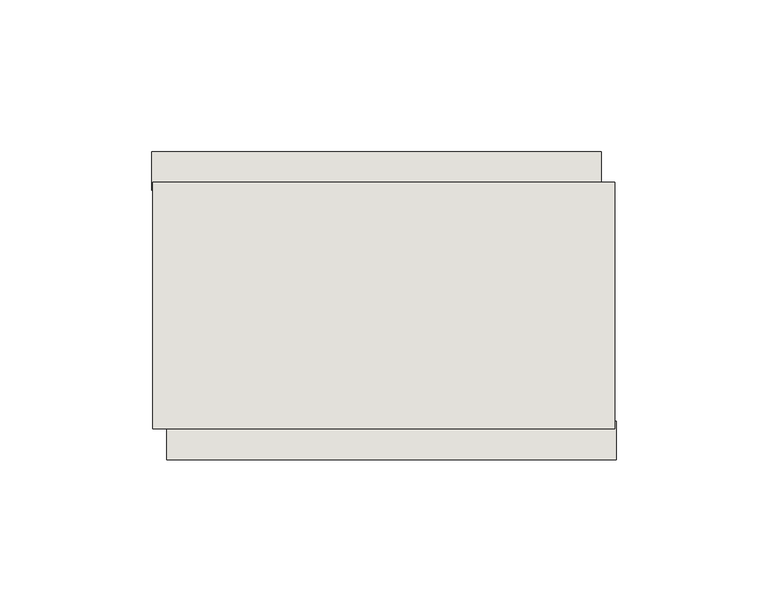
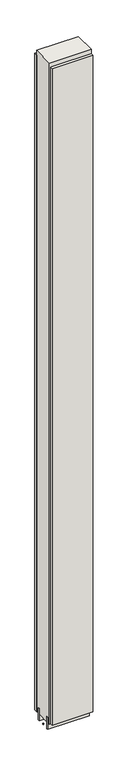
"""IFC4 building model written with IfcOpenShell, lengths in millimetres: wall geometry."""

import ifcopenshell
import ifcopenshell.guid

model = None  # the IFC model being written
_history = None  # IfcOwnerHistory: only IFC2X3 demands one
_inside = {}  # id of a spatial element -> (the spatial element, [elements in it])
_under = {}  # id of a project, library or spatial element -> (it, [spatial elements below it])
_declared = {}  # id of a project -> (the project, [libraries it declares])
_typed = {}  # id of a type object -> (the type object, [elements of that type])
_made_of = {}  # id of a material, layer set ... -> (it, [elements and type objects made of it])


def new_model(schema):
    """Start an empty IFC model of exactly this schema.

    Asked for "IFC4X3", IfcOpenShell would pick the latest addendum, in which some entities
    have other attributes; the version numbers below select the first issue.
    IFC2X3 requires an IfcOwnerHistory on every rooted entity: one is made here for all.
    """
    global model, _history
    if schema == "IFC4X3":
        model = ifcopenshell.file(schema_version=(4, 3, 0, 0))
    else:
        model = ifcopenshell.file(schema=schema)
    _inside.clear()
    _under.clear()
    _declared.clear()
    _typed.clear()
    _made_of.clear()
    _history = None
    if model.schema == "IFC2X3":
        org = make("IfcOrganization", Name="unknown")
        user = make(
            "IfcPersonAndOrganization",
            ThePerson=make("IfcPerson", FamilyName="unknown"),
            TheOrganization=org,
        )
        app = make(
            "IfcApplication",
            ApplicationDeveloper=org,
            Version="unknown",
            ApplicationFullName="unknown",
            ApplicationIdentifier="unknown",
        )
        _history = make(
            "IfcOwnerHistory",
            OwningUser=user,
            OwningApplication=app,
            ChangeAction="ADDED",
            CreationDate=0,
        )
    return model


def make(cls, **values):
    """One entity of the class cls with the attributes given. An attribute that is None is left unset."""
    return model.create_entity(
        cls, **{name: value for name, value in values.items() if value is not None}
    )


def rooted(cls, **values):
    """An entity with a GlobalId (a new one), such as an element, a storey or a relation."""
    return make(cls, GlobalId=ifcopenshell.guid.new(), OwnerHistory=_history, **values)


def si_unit(unit_type, name, prefix=None):
    """IfcSIUnit, for example si_unit("LENGTHUNIT", "METRE", prefix="MILLI")."""
    return make("IfcSIUnit", UnitType=unit_type, Prefix=prefix, Name=name)


def assignment(units):
    """IfcUnitAssignment: the units of a project."""
    return None if units is None else make("IfcUnitAssignment", Units=units)


def point(xyz):
    """IfcCartesianPoint."""
    return None if xyz is None else make("IfcCartesianPoint", Coordinates=xyz)


def direction(xyz):
    """IfcDirection."""
    return None if xyz is None else make("IfcDirection", DirectionRatios=xyz)


def frame(location, z_axis=None, x_axis=None):
    """IfcAxis2Placement3D, a coordinate frame: its origin and axes. An axis left out is left unset."""
    return make(
        "IfcAxis2Placement3D",
        Location=point(location),
        Axis=direction(z_axis),
        RefDirection=direction(x_axis),
    )


def origin():
    """The frame at (0, 0, 0) with its axes left unset."""
    return frame((0.0, 0.0, 0.0))


def place(relative_to, where):
    """IfcLocalPlacement: puts the frame where relative to a parent placement (None: the world)."""
    return make(
        "IfcLocalPlacement", PlacementRelTo=relative_to, RelativePlacement=where
    )


def context(
    kind, dimensions, precision=None, world=None, true_north=None, identifier=None
):
    """IfcGeometricRepresentationContext, for example the 3D "Model" context."""
    return make(
        "IfcGeometricRepresentationContext",
        ContextIdentifier=identifier,
        ContextType=kind,
        CoordinateSpaceDimension=dimensions,
        Precision=precision,
        WorldCoordinateSystem=world,
        TrueNorth=true_north,
    )


def project(units=None, contexts=None):
    """IfcProject with its units and contexts."""
    return rooted(
        "IfcProject",
        Name="project",
        RepresentationContexts=contexts,
        UnitsInContext=assignment(units),
    )


def spatial(cls, under=None, at=None, **own):
    """A site, building, storey or space (cls), placed at a placement, below another one or the project."""
    s = rooted(cls, ObjectPlacement=at, **own)
    if under is not None:
        _under.setdefault(under.id(), (under, []))[1].append(s)
    return s


def polyline(points):
    """IfcPolyline through the points."""
    return make("IfcPolyline", Points=[point(p) for p in points])


def outline(outer, holes=None, kind="AREA"):
    """IfcArbitraryClosedProfileDef: a profile drawn as a closed curve; with holes, ...WithVoids."""
    if holes is None:
        return make("IfcArbitraryClosedProfileDef", ProfileType=kind, OuterCurve=outer)
    return make(
        "IfcArbitraryProfileDefWithVoids",
        ProfileType=kind,
        OuterCurve=outer,
        InnerCurves=holes,
    )


def extrude(swept, where, along, depth):
    """IfcExtrudedAreaSolid: the profile swept, set in the frame where, extruded along a direction by depth."""
    return make(
        "IfcExtrudedAreaSolid",
        SweptArea=swept,
        Position=where,
        ExtrudedDirection=direction(along),
        Depth=depth,
    )


def shape(context_of_items, identifier, shape_type, items):
    """IfcShapeRepresentation: the items that make up one representation, for example the "Body"."""
    return make(
        "IfcShapeRepresentation",
        ContextOfItems=context_of_items,
        RepresentationIdentifier=identifier,
        RepresentationType=shape_type,
        Items=items,
    )


def source(mapping_origin, context_of_items, identifier, shape_type, items):
    """IfcRepresentationMap: a shape defined once, which mapped items show again and again."""
    return make(
        "IfcRepresentationMap",
        MappingOrigin=mapping_origin,
        MappedRepresentation=shape(context_of_items, identifier, shape_type, items),
    )


def transform(
    local_origin,
    x_axis=None,
    y_axis=None,
    z_axis=None,
    scale=None,
    scale2=None,
    scale3=None,
    uniform=True,
):
    """IfcCartesianTransformationOperator3D, or its non-uniform kind. x_axis, y_axis, z_axis: its Axis1, 2, 3."""
    if uniform:
        return make(
            "IfcCartesianTransformationOperator3D",
            Axis1=direction(x_axis),
            Axis2=direction(y_axis),
            LocalOrigin=point(local_origin),
            Scale=scale,
            Axis3=direction(z_axis),
        )
    return make(
        "IfcCartesianTransformationOperator3DnonUniform",
        Axis1=direction(x_axis),
        Axis2=direction(y_axis),
        LocalOrigin=point(local_origin),
        Scale=scale,
        Axis3=direction(z_axis),
        Scale2=scale2,
        Scale3=scale3,
    )


def mapped(mapping_source, mapping_target):
    """IfcMappedItem: shows the shape of a source again, moved by a transform."""
    return make(
        "IfcMappedItem", MappingSource=mapping_source, MappingTarget=mapping_target
    )


def made_of(thing, what):
    """Note that an element or type object is made of a material, layer set ...; save() writes the relation."""
    if what is not None:
        _made_of.setdefault(what.id(), (what, []))[1].append(thing)
    return thing


def element(
    cls,
    number,
    at=None,
    inside=None,
    cuts=None,
    type_object=None,
    material=None,
    context=None,
    identifier="Body",
    shape_type=None,
    held_by="IfcProductDefinitionShape",
    body=None,
    shapes=None,
    **own,
):
    """One element of the class cls, such as IfcWall. Its Tag is "e" and its number.

    at: its placement. inside: the storey or other place that contains it. cuts: it is an
    opening in that element (IfcRelVoidsElement). A single representation is given by context,
    identifier, shape_type and body (its items); several are given by shapes. held_by: the class
    of the entity that holds the representations. save() writes the other relations.
    """
    e = rooted(cls, Tag="e%d" % number, ObjectPlacement=at, **own)
    if body is not None:
        shapes = [shape(context, identifier, shape_type, body)]
    if shapes is not None:
        e.Representation = make(held_by, Representations=shapes)
    if inside is not None:
        _inside.setdefault(inside.id(), (inside, []))[1].append(e)
    if cuts is not None:
        rooted(
            "IfcRelVoidsElement", RelatingBuildingElement=cuts, RelatedOpeningElement=e
        )
    if type_object is not None:
        _typed.setdefault(type_object.id(), (type_object, []))[1].append(e)
    return made_of(e, material)


def aggregate(whole, parts):
    """IfcRelAggregates: a whole, such as a stair, and the parts it consists of."""
    return rooted("IfcRelAggregates", RelatingObject=whole, RelatedObjects=parts)


def save(model, path):
    """Write the relations noted so far, then the file.

    IfcRelAggregates (storeys below a building ...), IfcRelContainedInSpatialStructure (elements
    in a storey), IfcRelDefinesByType, IfcRelAssociatesMaterial and IfcRelDeclares: one each for
    every whole, place, type object, material and project.
    """
    for whole, parts in _under.values():
        aggregate(whole, parts)
    for where, things in _inside.values():
        rooted(
            "IfcRelContainedInSpatialStructure",
            RelatedElements=things,
            RelatingStructure=where,
        )
    for kind, things in _typed.values():
        rooted("IfcRelDefinesByType", RelatedObjects=things, RelatingType=kind)
    for what, things in _made_of.values():
        rooted("IfcRelAssociatesMaterial", RelatedObjects=things, RelatingMaterial=what)
    for by, libraries in _declared.values():
        rooted("IfcRelDeclares", RelatingContext=by, RelatedDefinitions=libraries)
    model.write(path)


def wall_38dbb93d(model_context):
    return source(origin(), model_context, "Body", "SweptSolid", [
        extrude(outline(polyline([(64514.7176048, -43395.5074684), (64517.2576048, -43395.5074684), (64517.2576048, -43398.0474684), (64514.7176048, -43398.0474684), (64514.7176048, -43395.5074684)])), frame((0.0, 0.0, 4419.6), z_axis=(0.0, 0.0, 1.0), x_axis=(1.0, 0.0, 0.0)), (0.0, 0.0, 1.0), 2.54),
        extrude(outline(polyline([(64667.5782313, -43447.5774684), (64519.1782283, -43447.5774684), (64519.1782283, -43434.8774684), (64667.5782313, -43434.8774684), (64667.5782313, -43447.5774684)])), frame((0.0, 0.0, 4445.0), z_axis=(0.0, 0.0, 1.0), x_axis=(1.0, 0.0, 0.0)), (0.0, 0.0, 1.0), 2545.0498756),
        extrude(outline(polyline([(64514.2544891, -43345.9774684), (64662.6544921, -43345.9774684), (64662.6544921, -43358.6774684), (64514.2544891, -43358.6774684), (64514.2544891, -43345.9774684)])), frame((0.0, 0.0, 4445.0), z_axis=(0.0, 0.0, 1.0), x_axis=(1.0, 0.0, 0.0)), (0.0, 0.0, 1.0), 2545.0498756),
        extrude(outline(polyline([(64514.703965, -43421.8581142), (64667.103965, -43421.8581142), (64667.103965, -43426.9399684), (64514.703965, -43426.9399684), (64514.703965, -43421.8581142)])), frame((0.0, 0.0, 4418.6602), z_axis=(0.0, 0.0, 1.0), x_axis=(1.0, 0.0, 0.0)), (0.0, 0.0, 1.0), 47.625),
        extrude(outline(polyline([(64514.703965, -43421.8581142), (64667.103965, -43421.8581142), (64667.103965, -43426.9399684), (64514.703965, -43426.9399684), (64514.703965, -43421.8581142)])), frame((0.0, 0.0, 4418.6602), z_axis=(0.0, 0.0, 1.0), x_axis=(1.0, 0.0, 0.0)), (0.0, 0.0, 1.0), 47.625),
        extrude(outline(polyline([(64667.103965, -43371.6937238), (64514.703965, -43371.6937238), (64514.703965, -43366.6149684), (64667.103965, -43366.6149684), (64667.103965, -43371.6937238)])), frame((0.0, 0.0, 4418.6602), z_axis=(0.0, 0.0, 1.0), x_axis=(1.0, 0.0, 0.0)), (0.0, 0.0, 1.0), 47.625),
        extrude(outline(polyline([(64667.103965, -43371.6937238), (64514.703965, -43371.6937238), (64514.703965, -43366.6149684), (64667.103965, -43366.6149684), (64667.103965, -43371.6937238)])), frame((0.0, 0.0, 4418.6602), z_axis=(0.0, 0.0, 1.0), x_axis=(1.0, 0.0, 0.0)), (0.0, 0.0, 1.0), 47.625),
        extrude(outline(polyline([(64514.703965, -43437.429254), (64514.703965, -43356.1504986), (64667.103965, -43356.1504986), (64667.103965, -43437.429254), (64514.703965, -43437.429254)])), frame((0.0, 0.0, 4445.0), z_axis=(0.0, 0.0, 1.0), x_axis=(1.0, 0.0, 0.0)), (0.0, 0.0, 1.0), 2562.4536762),
    ])


if __name__ == "__main__":
    model = new_model("IFC4")
    model_context = context("Model", 3, world=origin())
    ifc_project = project(units=[si_unit("LENGTHUNIT", "METRE", prefix="MILLI")], contexts=[model_context])
    site = spatial("IfcSite", under=ifc_project)
    building = spatial("IfcBuilding", under=site)
    placement = place(None, origin())
    wall_shape = wall_38dbb93d(model_context)
    element("IfcWall", 1, at=placement, inside=building, context=model_context, shape_type="MappedRepresentation", body=[
        mapped(wall_shape, transform((0.0, 0.0, 0.0), x_axis=(1.0, 0.0, 0.0), y_axis=(0.0, 1.0, 0.0), z_axis=(0.0, 0.0, 1.0))),
    ])
    save(model, "model.ifc")
